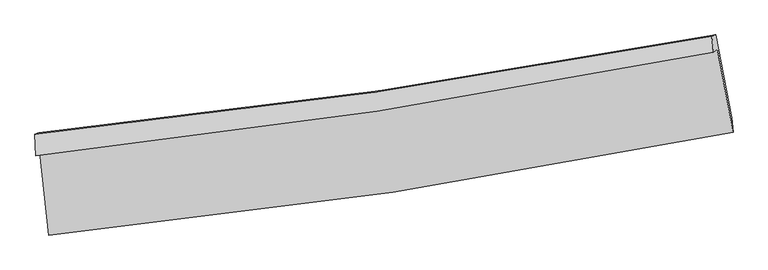
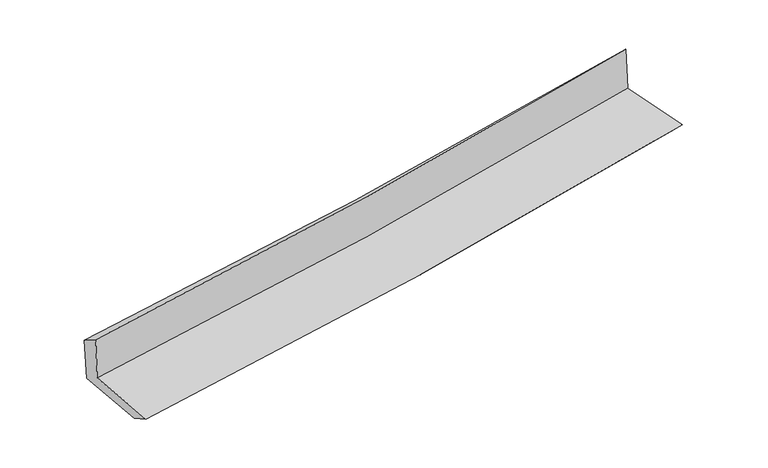
"""IFC4 building model written with IfcOpenShell, lengths in millimetres: proxy geometry."""

from ifc_helpers import new_model, si_unit, frame, origin, place, context, project, spatial, source, transform, mapped, element, save
from ifc_brep_helpers import plane_surface, spline_curve, spline_surface, advanced_brep


def generic_models_3bdf1c30(model_context):
    return source(origin(), model_context, "Body", "AdvancedBrep", [
        advanced_brep(
        [(-2769.3353868, -1886.91143, 1651.4990369), (-2698.6347763, -2557.2135476, 1624.022555), (2837.4626049, -1724.532907, 2113.7771876), (2710.5423962, -1055.636412, 2116.5447017), (-2800.6002217, -1914.6645861, 2060.8010488), (2678.8942497, -1078.4492391, 2532.0518392), (-2809.4175281, -1741.3160221, 1954.2685182), (2665.4338665, -948.9957933, 2404.3280555), (-2777.288791, -1730.1932509, 1554.9706999), (2696.2458748, -938.3896857, 2025.1857039), (-2708.3966332, -2381.5418558, 1525.9821996), (2825.4600309, -1609.0781581, 1999.8391289)],
        [
            (0, 1),
            (1, 2, spline_curve(3, [(-2698.6347763, -2557.2135476, 1624.022555), (-1767.121337847, -2466.815420372, 1710.021714942), (-838.960376767, -2352.008772379, 1793.924033744), (1006.37444297, -2074.223043991, 1957.156204979), (1923.57927552, -1911.469478679, 2036.505430084), (2837.4626049, -1724.532907, 2113.7771876)], [4, 2, 4], [0.0, 9.195772503381955, 18.348965756955565])),
            (2, 3),
            (3, 0, spline_curve(3, [(2710.5423962, -1055.636412, 2116.5447017), (1805.76277425, -1232.969689164, 2036.895214596), (897.783606432, -1390.793873176, 1958.403900951), (-928.812484322, -1668.06747459, 1803.377878954), (-1847.459244219, -1787.334963307, 1726.853970931), (-2769.3353868, -1886.91143, 1651.4990369)], [4, 2, 4], [0.0, 9.15319325357361, 18.348965756955565])),
            (4, 0),
            (3, 5),
            (5, 4, spline_curve(3, [(2678.8942497, -1078.4492391, 2532.0518392), (1774.346491221, -1258.361444082, 2453.163222278), (866.515318776, -1417.887869345, 2374.538529987), (-959.952219156, -1696.81642278, 2217.452471951), (-1878.619203914, -1816.028446212, 2138.993567677), (-2800.6002217, -1914.6645861, 2060.8010488)], [4, 2, 4], [0.0, 9.10622543625941, 18.254811635251563])),
            (6, 4),
            (5, 7),
            (7, 6, spline_curve(3, [(2665.4338665, -948.9957933, 2404.3280555), (1760.818177667, -1119.480439458, 2329.121929888), (853.338090852, -1270.641177697, 2254.100506971), (-971.585662641, -1534.928122397, 2104.078938899), (-1889.05604059, -1647.874127131, 2029.080515937), (-2809.4175281, -1741.3160221, 1954.2685182)], [4, 2, 4], [0.0, 9.096393147625038, 18.23510131968556])),
            (8, 6),
            (7, 9),
            (9, 8, spline_curve(3, [(2696.2458748, -938.3896857, 2025.1857039), (1791.310841005, -1108.976547875, 1953.291542775), (883.779929554, -1260.145656932, 1878.258108945), (-940.707418052, -1524.261255949, 1721.549049227), (-1857.688062023, -1637.026668591, 1639.844148286), (-2777.288791, -1730.1932509, 1554.9706999)], [4, 2, 4], [0.0, 9.086141560741641, 18.214550457110416])),
            (10, 8),
            (9, 11),
            (11, 10, spline_curve(3, [(2825.4600309, -1609.0781581, 1999.8391289), (1910.578723031, -1782.822373943, 1927.016505177), (993.059603908, -1933.969638557, 1851.215675991), (-851.534685484, -2191.668261766, 1693.291138835), (-1778.634454591, -2298.008896282, 1611.139658374), (-2708.3966332, -2381.5418558, 1525.9821996)], [4, 2, 4], [0.0, 9.133547243470945, 18.30958234652731])),
            (1, 10),
            (11, 2),
        ],
        [
            spline_surface(3, 3, [[(-2769.3353868, -1886.91143, 1651.4990369), (-1847.45924424, -1787.334963425, 1726.853970955), (-928.812484358, -1668.067474605, 1803.377878966), (897.783606467, -1390.793873161, 1958.403900939), (1805.762774275, -1232.969689298, 2036.895214491), (2710.5423962, -1055.636412, 2116.5447017)], [(-2745.768516656, -2110.345469193, 1642.340209603), (-1820.679942084, -2013.828449022, 1721.243218939), (-898.861781819, -1896.047907151, 1800.226597235), (933.980551944, -1618.603596826, 1957.988002262), (1845.034941406, -1459.13628573, 2036.765286394), (2752.849132454, -1278.60191034, 2115.622196999)], [(-2722.201646444, -2333.779508407, 1633.181382297), (-1793.900639861, -2240.321934639, 1715.632466913), (-868.911079257, -2124.028339683, 1797.075315525), (970.177497445, -1846.413320477, 1957.572103606), (1884.307108476, -1685.302882142, 2036.635358299), (2795.155868646, -1501.56740866, 2114.699692301)], [(-2698.6347763, -2557.2135476, 1624.022555), (-1767.121337705, -2466.815420237, 1710.021714897), (-838.960376718, -2352.008772228, 1793.924033794), (1006.374442922, -2074.223044141, 1957.156204929), (1923.579275607, -1911.469478574, 2036.505430202), (2837.4626049, -1724.532907, 2113.7771876)]], [4, 4], [4, 2, 4], [0.0, 2.2666119479471933], [0.0, 9.195772503381955, 18.348965756955565]),
            spline_surface(3, 3, [[(-2800.6002217, -1914.6645861, 2060.8010488), (-1878.619204003, -1816.028446164, 2138.993567537), (-959.952219302, -1696.816422642, 2217.452471979), (866.515318921, -1417.887869483, 2374.538529959), (1774.346491318, -1258.361443976, 2453.163222325), (2678.8942497, -1078.4492391, 2532.0518392)], [(-2790.178610059, -1905.413534066, 1924.367044829), (-1868.232550741, -1806.463951918, 2001.613702006), (-949.572307654, -1687.233439961, 2079.427607637), (876.938081436, -1408.856537374, 2235.826986947), (1784.818585615, -1249.897525743, 2314.407219733), (2689.443631845, -1070.844963393, 2393.549460052)], [(-2779.756998441, -1896.162482034, 1787.933040871), (-1857.845897502, -1796.899457671, 1864.233836487), (-939.192396006, -1677.650457286, 1941.402743309), (887.360843952, -1399.82520527, 2097.11544395), (1795.290679978, -1241.433607531, 2175.651217084), (2699.993014055, -1063.240687707, 2255.047080848)], [(-2769.3353868, -1886.91143, 1651.4990369), (-1847.45924424, -1787.334963425, 1726.853970955), (-928.812484358, -1668.067474605, 1803.377878966), (897.783606467, -1390.793873161, 1958.403900939), (1805.762774275, -1232.969689298, 2036.895214491), (2710.5423962, -1055.636412, 2116.5447017)]], [4, 4], [4, 2, 4], [0.0, 1.3687880748741839], [0.0, 9.148586198992154, 18.254811635251563]),
            spline_surface(3, 3, [[(-2809.4175281, -1741.3160221, 1954.2685182), (-1889.056040446, -1647.874127203, 2029.080515792), (-971.585662603, -1534.928122448, 2104.078938849), (853.338090815, -1270.641177645, 2254.100507021), (1760.818177802, -1119.480439465, 2329.121929755), (2665.4338665, -948.9957933, 2404.3280555)], [(-2806.478425962, -1799.098876755, 1989.779361732), (-1885.57709496, -1703.925566845, 2065.718199705), (-967.707848177, -1588.890889202, 2141.870116548), (857.730500176, -1319.72340828, 2294.246514655), (1765.327615645, -1165.774107637, 2370.469027284), (2669.920660904, -992.146941903, 2446.902650073)], [(-2803.539323838, -1856.881731445, 2025.290205268), (-1882.098149489, -1759.977006522, 2102.355883624), (-963.830033728, -1642.853655888, 2179.66129428), (862.122909559, -1368.805638848, 2334.392522324), (1769.837053475, -1212.067775803, 2411.816124796), (2674.407455296, -1035.298090497, 2489.477244627)], [(-2800.6002217, -1914.6645861, 2060.8010488), (-1878.619204003, -1816.028446164, 2138.993567537), (-959.952219302, -1696.816422642, 2217.452471979), (866.515318921, -1417.887869483, 2374.538529959), (1774.346491318, -1258.361443976, 2453.163222325), (2678.8942497, -1078.4492391, 2532.0518392)]], [4, 4], [4, 2, 4], [0.0, 0.6371805119008804], [0.0, 9.13870817206052, 18.23510131968556]),
            spline_surface(3, 3, [[(-2777.288791, -1730.1932509, 1554.9706999), (-1857.688062126, -1637.02666844, 1639.84414819), (-940.707418167, -1524.261255811, 1721.549049129), (883.779929669, -1260.145657069, 1878.258109043), (1791.310840995, -1108.976547967, 1953.291542754), (2696.2458748, -938.3896857, 2025.1857039)], [(-2787.998370053, -1733.900841293, 1688.069972681), (-1868.144054919, -1640.642488021, 1769.589604072), (-951.000166308, -1527.816878013, 1849.059012374), (873.632650056, -1263.644163917, 2003.538908374), (1781.146619937, -1112.477845128, 2078.568338414), (2685.975205374, -941.925054895, 2151.56648776)], [(-2798.707949047, -1737.608431707, 1821.169245419), (-1878.600047653, -1644.258307622, 1899.335059911), (-961.292914463, -1531.372500247, 1976.568975604), (863.485370428, -1267.142670797, 2128.81970769), (1770.982398859, -1115.979142303, 2203.845134095), (2675.704535926, -945.460424105, 2277.94727164)], [(-2809.4175281, -1741.3160221, 1954.2685182), (-1889.056040446, -1647.874127203, 2029.080515792), (-971.585662603, -1534.928122448, 2104.078938849), (853.338090815, -1270.641177645, 2254.100507021), (1760.818177802, -1119.480439465, 2329.121929755), (2665.4338665, -948.9957933, 2404.3280555)]], [4, 4], [4, 2, 4], [0.0, 1.2486430636282746], [0.0, 9.128408896368775, 18.214550457110416]),
            spline_surface(3, 3, [[(-2708.3966332, -2381.5418558, 1525.9821996), (-1778.634454477, -2298.008896429, 1611.139658295), (-851.534685566, -2191.668261822, 1693.291138903), (993.059603989, -1933.969638501, 1851.215675923), (1910.578723132, -1782.822373878, 1927.016505064), (2825.4600309, -1609.0781581, 1999.8391289)], [(-2731.36068579, -2164.425654194, 1535.645033022), (-1804.985657016, -2077.681487127, 1620.707821582), (-881.25892978, -1969.199259823, 1702.710442318), (956.633045869, -1709.361644696, 1860.229820303), (1870.822762431, -1558.207098602, 1935.774850949), (2782.388645545, -1385.515333994, 2008.287987222)], [(-2754.32473841, -1947.309452506, 1545.307866478), (-1831.336859587, -1857.354077743, 1630.275984903), (-910.983173953, -1746.73025781, 1712.129745713), (920.20648779, -1484.753650875, 1869.243964663), (1831.066801696, -1333.591823243, 1944.533196869), (2739.317260155, -1161.952509806, 2016.736845578)], [(-2777.288791, -1730.1932509, 1554.9706999), (-1857.688062126, -1637.02666844, 1639.84414819), (-940.707418167, -1524.261255811, 1721.549049129), (883.779929669, -1260.145657069, 1878.258109043), (1791.310840995, -1108.976547967, 1953.291542754), (2696.2458748, -938.3896857, 2025.1857039)]], [4, 4], [4, 2, 4], [0.0, 2.225914760994944], [0.0, 9.176035103056366, 18.30958234652731]),
            spline_surface(3, 3, [[(-2698.6347763, -2557.2135476, 1624.022555), (-1767.121337705, -2466.815420237, 1710.021714897), (-838.960376718, -2352.008772228, 1793.924033794), (1006.374442922, -2074.223044141, 1957.156204929), (1923.579275607, -1911.469478574, 2036.505430202), (2837.4626049, -1724.532907, 2113.7771876)], [(-2701.888728581, -2498.656316998, 1591.342436533), (-1770.959043276, -2410.546578965, 1677.061029362), (-843.151812976, -2298.561935406, 1760.379735508), (1001.936163302, -2027.471908908, 1921.842695271), (1919.245758094, -1868.587110317, 2000.009121817), (2833.461746879, -1686.047990675, 2075.797834694)], [(-2705.142680919, -2440.099086402, 1558.662318067), (-1774.796748905, -2354.277737701, 1644.100343829), (-847.343249308, -2245.115098644, 1726.835437189), (997.497883609, -1980.720773735, 1886.529185581), (1914.912240645, -1825.704742135, 1963.512813449), (2829.460888921, -1647.563074425, 2037.818481806)], [(-2708.3966332, -2381.5418558, 1525.9821996), (-1778.634454477, -2298.008896429, 1611.139658295), (-851.534685566, -2191.668261822, 1693.291138903), (993.059603989, -1933.969638501, 1851.215675923), (1910.578723132, -1782.822373878, 1927.016505064), (2825.4600309, -1609.0781581, 1999.8391289)]], [4, 4], [4, 2, 4], [0.0, 0.5999211321811971], [0.0, 9.233531262518342, 18.424308440581537]),
            plane_surface(frame((2735.6731705, -1225.8470326, 2198.6211028), z_axis=(0.978999914465297, 0.18541034978918755, 0.08474768237534623), x_axis=(-0.08096914275277793, -0.027871193315963865, 0.9963268512416117))),
            plane_surface(frame((-2760.6122229, -2035.3067821, 1728.5906764), z_axis=(-0.9914331887156529, -0.10118658563231259, -0.08259241612392283), x_axis=(-0.10480682532992522, 0.9936581385221841, 0.040731230191224564))),
        ],
        [
            (0, [[1, 2, 3, 4]]),
            (1, [[5, -4, 6, 7]]),
            (2, [[8, -7, 9, 10]]),
            (3, [[11, -10, 12, 13]]),
            (4, [[14, -13, 15, 16]]),
            (5, [[17, -16, 18, -2]]),
            (6, [[-12, -9, -6, -3, -18, -15]]),
            (7, [[-1, -5, -8, -11, -14, -17]]),
        ],
    ),
    ])


if __name__ == "__main__":
    model = new_model("IFC4")
    model_context = context("Model", 3, world=origin())
    ifc_project = project(units=[si_unit("LENGTHUNIT", "METRE", prefix="MILLI")], contexts=[model_context])
    site = spatial("IfcSite", under=ifc_project)
    building = spatial("IfcBuilding", under=site)
    placement = place(None, origin())
    generic_models_shape = generic_models_3bdf1c30(model_context)
    element("IfcBuildingElementProxy", 1, Name="Generic Models", at=placement, inside=building, context=model_context, shape_type="MappedRepresentation", body=[
        mapped(generic_models_shape, transform((0.0, 0.0, 0.0), x_axis=(1.0, 0.0, 0.0), y_axis=(0.0, 1.0, 0.0), z_axis=(0.0, 0.0, 1.0))),
    ])
    save(model, "model.ifc")
